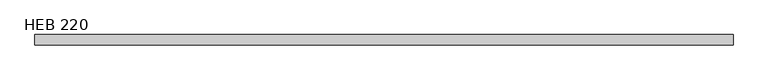
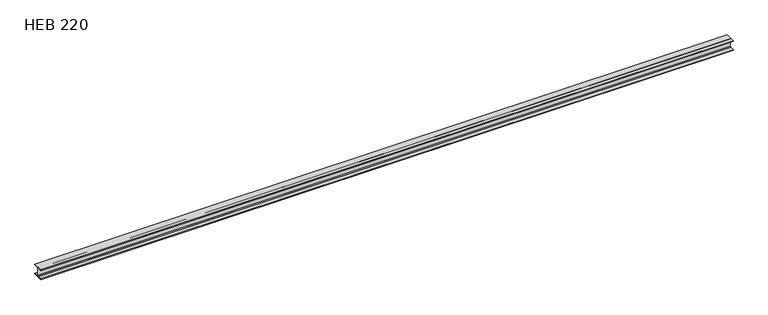
"""IFC4 building model written with IfcOpenShell, lengths in millimetres: beam geometry, HEB 220."""

from ifc_helpers import new_model, si_unit, point, frame, frame_2d, origin, place, context, project, spatial, polyline, circle_curve, trimmed, segment, composite_curve, outline, extrude, source, transform, mapped, element, save


def heb_220_8904ba6e(model_context):
    return source(origin(), model_context, "Body", "SweptSolid", [
        extrude(outline(composite_curve([segment(polyline([(110.0, -94.0), (110.0, -110.0), (-110.0, -110.0), (-110.0, -94.0), (-22.75, -94.0)]), True, "CONTINUOUS"), segment(trimmed(circle_curve(frame_2d((-22.75, -76.0)), 18.0), [point((-22.75, -94.0))], [point((-4.75, -76.0))], True, "CARTESIAN"), True, "CONTINUOUS"), segment(polyline([(-4.75, -76.0), (-4.75, 76.0)]), True, "CONTINUOUS"), segment(trimmed(circle_curve(frame_2d((-22.75, 76.0)), 18.0), [point((-4.75, 76.0))], [point((-22.75, 94.0))], True, "CARTESIAN"), True, "CONTINUOUS"), segment(polyline([(-22.75, 94.0), (-110.0, 94.0), (-110.0, 110.0), (110.0, 110.0), (110.0, 94.0), (22.75, 94.0)]), True, "CONTINUOUS"), segment(trimmed(circle_curve(frame_2d((22.75, 76.0)), 18.0), [point((22.75, 94.0))], [point((4.75, 76.0))], True, "CARTESIAN"), True, "CONTINUOUS"), segment(polyline([(4.75, 76.0), (4.75, -76.0)]), True, "CONTINUOUS"), segment(trimmed(circle_curve(frame_2d((22.75, -76.0)), 18.0), [point((4.75, -76.0))], [point((22.75, -94.0))], True, "CARTESIAN"), True, "CONTINUOUS"), segment(polyline([(22.75, -94.0), (110.0, -94.0)]), True, "CONTINUOUS")], self_intersect=False)), frame((-7500.0, 0.0, 0.0), z_axis=(1.0, 0.0, 0.0), x_axis=(0.0, 1.0, 0.0)), (0.0, 0.0, 1.0), 15000.0),
    ])


if __name__ == "__main__":
    model = new_model("IFC4")
    model_context = context("Model", 3, world=origin())
    ifc_project = project(units=[si_unit("LENGTHUNIT", "METRE", prefix="MILLI")], contexts=[model_context])
    site = spatial("IfcSite", under=ifc_project)
    building = spatial("IfcBuilding", under=site)
    placement = place(None, origin())
    heb_220_shape = heb_220_8904ba6e(model_context)
    element("IfcBeam", 1, ObjectType="HEB 220", at=placement, inside=building, context=model_context, shape_type="MappedRepresentation", body=[
        mapped(heb_220_shape, transform((0.0, 0.0, 0.0), x_axis=(1.0, 0.0, 0.0), y_axis=(0.0, 1.0, 0.0), z_axis=(0.0, 0.0, 1.0))),
    ])
    save(model, "model.ifc")
